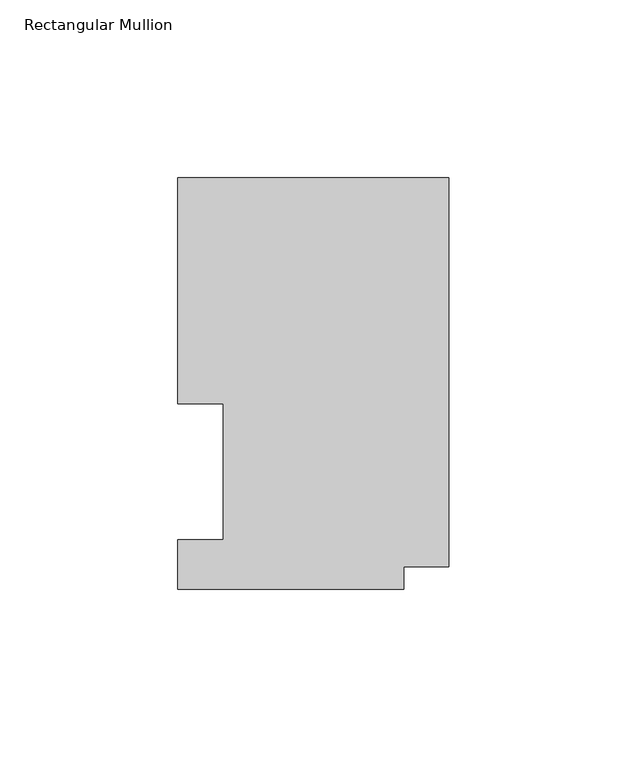
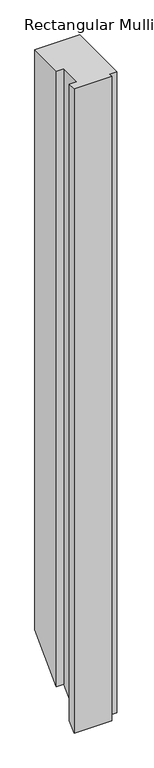
"""IFC4 building model written with IfcOpenShell, lengths in millimetres: member geometry, Rectangular Mullion."""

from ifc_helpers import new_model, si_unit, origin, place, context, project, spatial, faceted_brep, source, transform, mapped, element, save


def rectangular_mullion_aff5061c(model_context):
    return source(origin(), model_context, "Body", "Brep", [
        faceted_brep([(0.0, 115.5898607, 0.0), (-76.0222, 115.5898607, 0.0), (-76.0222, 52.0898438, 0.0), (-63.3262802, 52.0898438, 0.0), (-63.3262802, 13.9898777, 0.0), (-76.0262802, 13.9898777, 0.0), (-76.0262802, 0.0198607, 0.0), (-12.5262802, 0.0198607, 0.0), (-12.5262802, 6.3856708, 0.0), (0.0, 6.3856708, 0.0), (0.0, 115.5898607, -1041.5658464), (-76.0222, 115.5898607, -1041.5658464), (-76.0222, 52.0898438, -1105.0658633), (-63.3262802, 52.0898438, -1105.0658633), (-63.3262802, 13.9898777, -1143.1658294), (-76.0262802, 13.9898777, -1143.1658294), (-76.0262802, 0.0198607, -1157.1358464), (-12.5262802, 0.0198607, -1157.1358464), (-12.5262802, 6.3856708, -1150.7700362), (0.0, 6.3856708, -1150.7700362)], [[[0, 1, 2, 3, 4, 5, 6, 7, 8, 9]], [[1, 0, 10, 11]], [[2, 1, 11, 12]], [[3, 2, 12, 13]], [[4, 3, 13, 14]], [[5, 4, 14, 15]], [[6, 5, 15, 16]], [[7, 6, 16, 17]], [[8, 7, 17, 18]], [[9, 8, 18, 19]], [[0, 9, 19, 10]], [[10, 19, 18, 17, 16, 15, 14, 13, 12, 11]]]),
    ])


if __name__ == "__main__":
    model = new_model("IFC4")
    model_context = context("Model", 3, world=origin())
    ifc_project = project(units=[si_unit("LENGTHUNIT", "METRE", prefix="MILLI")], contexts=[model_context])
    site = spatial("IfcSite", under=ifc_project)
    building = spatial("IfcBuilding", under=site)
    placement = place(None, origin())
    rectangular_mullion_shape = rectangular_mullion_aff5061c(model_context)
    element("IfcMember", 1, ObjectType="Rectangular Mullion", at=placement, inside=building, context=model_context, shape_type="MappedRepresentation", body=[
        mapped(rectangular_mullion_shape, transform((0.0, 0.0, 0.0), x_axis=(1.0, 0.0, 0.0), y_axis=(0.0, 1.0, 0.0), z_axis=(0.0, 0.0, 1.0))),
    ])
    save(model, "model.ifc")
